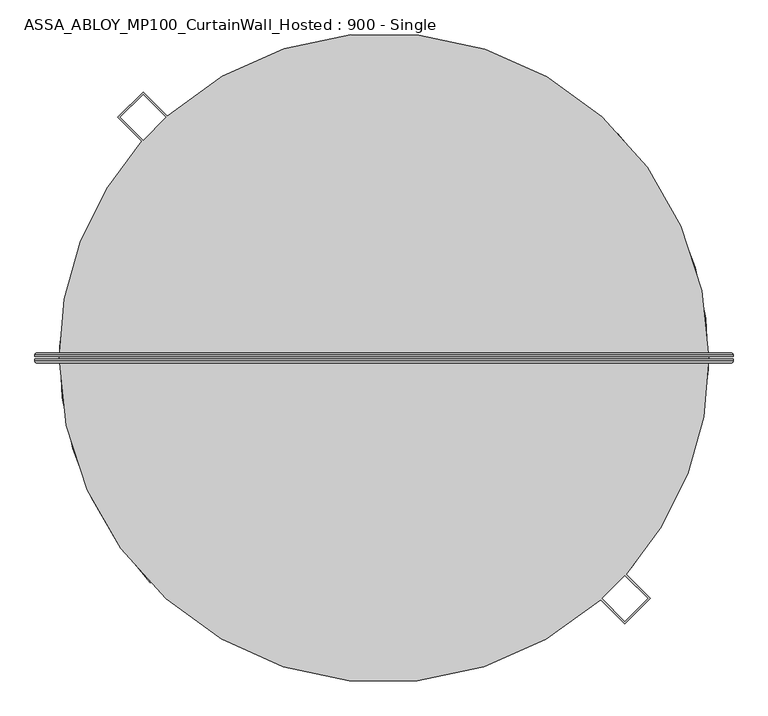
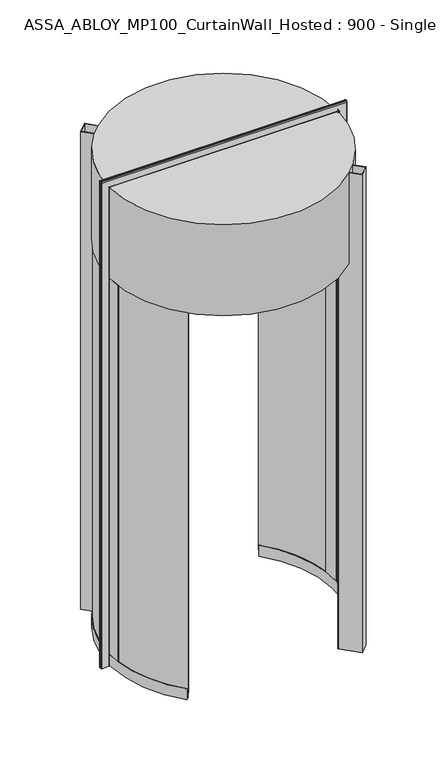
"""IFC4 building model written with IfcOpenShell, lengths in millimetres: plate geometry, ASSA_ABLOY_MP100_CurtainWall_Hosted : 900 - Single."""

from ifc_helpers import new_model, si_unit, point, frame, origin, origin_2d, place, context, project, spatial, polyline, circle_curve, ellipse_curve, trimmed, segment, composite_curve, outline, extrude, source, transform, mapped, element, save
from ifc_brep_helpers import plane_surface, cylinder_surface, revolved_surface, advanced_brep


def assa_abloy_mp100_curtainwall_hosted_900_single_7df3737f(model_context):
    return source(origin(), model_context, "Body", "SolidModel", [
        advanced_brep(
        [(777.5980762, 11.0, 0.0), (781.5980762, 7.0, 0.0), (781.5980762, 3.0, 0.0), (779.5980762, 3.0, 0.0), (779.5980762, 7.0, 0.0), (777.5980762, 9.0, 0.0), (735.5980762, 9.0, 0.0), (733.5980762, 7.0, 0.0), (733.5980762, 3.0, 0.0), (731.5980762, 3.0, 0.0), (731.5980762, 7.0, 0.0), (735.5980762, 11.0, 0.0), (777.5980762, 11.0, 3260.9980762), (781.5980762, 7.0, 3264.9980762), (781.5980762, 3.0, 3264.9980762), (731.5980762, 7.0, 3214.9980762), (735.5980762, 11.0, 3218.9980762), (-735.5980762, 11.0, 3218.9980762), (-735.5980762, 11.0, 0.0), (-777.5980762, 11.0, 0.0), (-777.5980762, 11.0, 3260.9980762), (-781.5980762, 7.0, 3264.9980762), (-781.5980762, 3.0, 3264.9980762), (-731.5980762, 7.0, 3214.9980762), (-731.5980762, 7.0, 0.0), (-731.5980762, 3.0, 0.0), (-733.5980762, 3.0, 0.0), (-733.5980762, 7.0, 0.0), (-735.5980762, 9.0, 0.0), (-777.5980762, 9.0, 0.0), (-779.5980762, 7.0, 0.0), (-779.5980762, 3.0, 0.0), (-781.5980762, 3.0, 0.0), (-781.5980762, 7.0, 0.0), (-779.5980762, 3.0, 3262.9980762), (779.5980762, 3.0, 3262.9980762), (779.5980762, 7.0, 3262.9980762), (777.5980762, 9.0, 3260.9980762), (-777.5980762, 9.0, 3260.9980762), (-735.5980762, 9.0, 3218.9980762), (735.5980762, 9.0, 3218.9980762), (733.5980762, 7.0, 3216.9980762), (733.5980762, 3.0, 3216.9980762), (-733.5980762, 3.0, 3216.9980762), (-731.5980762, 3.0, 3214.9980762), (731.5980762, 3.0, 3214.9980762), (-779.5980762, 7.0, 3262.9980762), (-733.5980762, 7.0, 3216.9980762)],
        [
            (0, 1, circle_curve(frame((777.5980762, 7.0, 0.0), z_axis=(0.0, 0.0, -1.0), x_axis=(-1.0, 0.0, 0.0)), 4.0)),
            (1, 2),
            (2, 3),
            (3, 4),
            (4, 5, circle_curve(frame((777.5980762, 7.0, 0.0), z_axis=(0.0, 0.0, 1.0), x_axis=(-1.0, 0.0, 0.0)), 2.0)),
            (5, 6),
            (6, 7, circle_curve(frame((735.5980762, 7.0, 0.0), z_axis=(0.0, 0.0, 1.0), x_axis=(-1.0, 0.0, 0.0)), 2.0)),
            (7, 8),
            (8, 9),
            (9, 10),
            (10, 11, circle_curve(frame((735.5980762, 7.0, 0.0), z_axis=(0.0, 0.0, -1.0), x_axis=(-1.0, 0.0, 0.0)), 4.0)),
            (11, 0),
            (0, 12),
            (12, 13, ellipse_curve(frame((777.5980762, 7.0, 3260.9980762), z_axis=(0.7071067811865475, 0.0, -0.7071067811865475), x_axis=(-0.7071067811865474, 0.0, -0.7071067811865476)), 5.6568542, 4.0)),
            (13, 1),
            (13, 14),
            (14, 2),
            (10, 15),
            (15, 16, ellipse_curve(frame((735.5980762, 7.0, 3218.9980762), z_axis=(0.7071067811865475, 0.0, -0.7071067811865475), x_axis=(-0.7071067811865474, 0.0, -0.7071067811865476)), 5.6568542, 4.0)),
            (16, 11),
            (16, 17),
            (17, 18),
            (18, 19),
            (19, 20),
            (20, 12),
            (20, 21, ellipse_curve(frame((-777.5980762, 7.0, 3260.9980762), z_axis=(0.7071067811865475, 0.0, 0.7071067811865475), x_axis=(0.7071067811865476, 0.0, -0.7071067811865474)), 5.6568542, 4.0)),
            (21, 13),
            (21, 22),
            (22, 14),
            (15, 23),
            (23, 17, ellipse_curve(frame((-735.5980762, 7.0, 3218.9980762), z_axis=(0.7071067811865475, 0.0, 0.7071067811865475), x_axis=(0.7071067811865476, 0.0, -0.7071067811865474)), 5.6568542, 4.0)),
            (18, 24, circle_curve(frame((-735.5980762, 7.0, 0.0), z_axis=(0.0, 0.0, -1.0), x_axis=(1.0, 0.0, 0.0)), 4.0)),
            (24, 25),
            (25, 26),
            (26, 27),
            (27, 28, circle_curve(frame((-735.5980762, 7.0, 0.0), z_axis=(0.0, 0.0, 1.0), x_axis=(1.0, 0.0, 0.0)), 2.0)),
            (28, 29),
            (29, 30, circle_curve(frame((-777.5980762, 7.0, 0.0), z_axis=(0.0, 0.0, 1.0), x_axis=(1.0, 0.0, 0.0)), 2.0)),
            (30, 31),
            (31, 32),
            (32, 33),
            (33, 19, circle_curve(frame((-777.5980762, 7.0, 0.0), z_axis=(0.0, 0.0, -1.0), x_axis=(1.0, 0.0, 0.0)), 4.0)),
            (33, 21),
            (32, 22),
            (23, 24),
            (31, 34),
            (34, 35),
            (35, 3),
            (35, 36),
            (36, 4),
            (36, 37, ellipse_curve(frame((777.5980762, 7.0, 3260.9980762), z_axis=(-0.7071067811865475, 0.0, 0.7071067811865475), x_axis=(0.7071067811865474, 0.0, 0.7071067811865476)), 2.8284271, 2.0)),
            (37, 5),
            (37, 38),
            (38, 29),
            (28, 39),
            (39, 40),
            (40, 6),
            (40, 41, ellipse_curve(frame((735.5980762, 7.0, 3218.9980762), z_axis=(-0.7071067811865475, 0.0, 0.7071067811865475), x_axis=(0.7071067811865474, 0.0, 0.7071067811865476)), 2.8284271, 2.0)),
            (41, 7),
            (41, 42),
            (42, 8),
            (42, 43),
            (43, 26),
            (25, 44),
            (44, 45),
            (45, 9),
            (45, 15),
            (34, 46),
            (46, 36),
            (46, 38, ellipse_curve(frame((-777.5980762, 7.0, 3260.9980762), z_axis=(-0.7071067811865475, 0.0, -0.7071067811865475), x_axis=(-0.7071067811865476, 0.0, 0.7071067811865474)), 2.8284271, 2.0)),
            (39, 47, ellipse_curve(frame((-735.5980762, 7.0, 3218.9980762), z_axis=(-0.7071067811865475, 0.0, -0.7071067811865475), x_axis=(-0.7071067811865476, 0.0, 0.7071067811865474)), 2.8284271, 2.0)),
            (47, 41),
            (47, 43),
            (44, 23),
            (30, 46),
            (27, 47),
        ],
        [
            plane_surface(frame((731.6, 0.0, 0.0), z_axis=(0.0, 0.0, -1.0), x_axis=(0.0, -1.0, 0.0))),
            cylinder_surface(frame((777.5980762, 7.0, 0.0), z_axis=(0.0, 0.0, -1.0), x_axis=(-1.0, 0.0, 0.0)), 4.0),
            plane_surface(frame((781.5980762, 7.0, 0.0), z_axis=(1.0, 0.0, 0.0), x_axis=(0.0, 0.0, 1.0))),
            cylinder_surface(frame((735.5980762, 7.0, 0.0), z_axis=(0.0, 0.0, -1.0), x_axis=(-1.0, 0.0, 0.0)), 4.0),
            plane_surface(frame((735.5980762, 11.0, 0.0), z_axis=(0.0, 1.0, 0.0), x_axis=(0.0, 0.0, 1.0))),
            cylinder_surface(frame((731.6, 7.0, 3260.9980762), z_axis=(1.0, 0.0, 0.0), x_axis=(0.0, 0.0, -1.0)), 4.0),
            plane_surface(frame((781.5980762, 7.0, 3264.9980762), z_axis=(0.0, 0.0, 1.0), x_axis=(-1.0, 0.0, 0.0))),
            cylinder_surface(frame((731.6, 7.0, 3218.9980762), z_axis=(1.0, 0.0, 0.0), x_axis=(0.0, 0.0, -1.0)), 4.0),
            plane_surface(frame((-731.6, 0.0, 0.0), z_axis=(0.0, 0.0, -1.0), x_axis=(0.0, -1.0, 0.0))),
            cylinder_surface(frame((-777.5980762, 7.0, 3215.0), z_axis=(0.0, 0.0, 1.0), x_axis=(1.0, 0.0, 0.0)), 4.0),
            plane_surface(frame((-781.5980762, 7.0, 3264.9980762), z_axis=(-1.0, 0.0, 0.0), x_axis=(0.0, 0.0, -1.0))),
            cylinder_surface(frame((-735.5980762, 7.0, 3215.0), z_axis=(0.0, 0.0, 1.0), x_axis=(1.0, 0.0, 0.0)), 4.0),
            plane_surface(frame((781.5980762, 3.0, 0.0), z_axis=(0.0, -1.0, 0.0), x_axis=(0.0, 0.0, 1.0))),
            plane_surface(frame((779.5980762, 3.0, 0.0), z_axis=(-1.0, 0.0, 0.0), x_axis=(0.0, 0.0, 1.0))),
            revolved_surface(polyline([(775.5980762, 7.0, 3262.9980762), (775.5980762, 7.0, 0.0)]), (777.5980762, 7.0, 0.0), (0.0, 0.0, 1.0)),
            plane_surface(frame((777.5980762, 9.0, 0.0), z_axis=(0.0, -1.0, 0.0), x_axis=(0.0, 0.0, 1.0))),
            revolved_surface(polyline([(733.5980762, 7.0, 3220.998076182502), (733.5980762, 7.0, 0.0)]), (735.5980762, 7.0, 0.0), (0.0, 0.0, 1.0)),
            plane_surface(frame((733.5980762, 7.0, 0.0), z_axis=(1.0, 0.0, 0.0), x_axis=(0.0, 0.0, 1.0))),
            plane_surface(frame((733.5980762, 3.0, 0.0), z_axis=(0.0, -1.0, 0.0), x_axis=(0.0, 0.0, 1.0))),
            plane_surface(frame((731.5980762, 3.0, 0.0), z_axis=(-1.0, 0.0, 0.0), x_axis=(0.0, 0.0, 1.0))),
            plane_surface(frame((779.5980762, 3.0, 3262.9980762), z_axis=(0.0, 0.0, -1.0), x_axis=(-1.0, 0.0, 0.0))),
            revolved_surface(polyline([(-779.5980762, 7.0, 3258.9980762), (779.5980762, 7.0, 3258.9980762)]), (731.6, 7.0, 3260.9980762), (-1.0, 0.0, 0.0)),
            revolved_surface(polyline([(-737.5980761825018, 7.0, 3216.9980762), (737.5980761825018, 7.0, 3216.9980762)]), (731.6, 7.0, 3218.9980762), (-1.0, 0.0, 0.0)),
            plane_surface(frame((733.5980762, 7.0, 3216.9980762), z_axis=(0.0, 0.0, 1.0), x_axis=(-1.0, 0.0, 0.0))),
            plane_surface(frame((731.5980762, 3.0, 3214.9980762), z_axis=(0.0, 0.0, -1.0), x_axis=(-1.0, 0.0, 0.0))),
            plane_surface(frame((-779.5980762, 3.0, 3262.9980762), z_axis=(1.0, 0.0, 0.0), x_axis=(0.0, 0.0, -1.0))),
            revolved_surface(polyline([(-775.5980762, 7.0, 0.0), (-775.5980762, 7.0, 3262.9980762)]), (-777.5980762, 7.0, 3215.0), (0.0, 0.0, -1.0)),
            revolved_surface(polyline([(-733.5980762, 7.0, 0.0), (-733.5980762, 7.0, 3220.998076182502)]), (-735.5980762, 7.0, 3215.0), (0.0, 0.0, -1.0)),
            plane_surface(frame((-733.5980762, 7.0, 3216.9980762), z_axis=(-1.0, 0.0, 0.0), x_axis=(0.0, 0.0, -1.0))),
            plane_surface(frame((-731.5980762, 3.0, 3214.9980762), z_axis=(1.0, 0.0, 0.0), x_axis=(0.0, 0.0, -1.0))),
        ],
        [
            (0, [[1, 2, 3, 4, 5, 6, 7, 8, 9, 10, 11, 12]]),
            (1, [[-1, 13, 14, 15]]),
            (2, [[-2, -15, 16, 17]]),
            (3, [[-11, 18, 19, 20]]),
            (4, [[-12, -20, 21, 22, 23, 24, 25, -13]]),
            (5, [[-14, -25, 26, 27]]),
            (6, [[-16, -27, 28, 29]]),
            (7, [[-19, 30, 31, -21]]),
            (8, [[-23, 32, 33, 34, 35, 36, 37, 38, 39, 40, 41, 42]]),
            (9, [[-26, -24, -42, 43]]),
            (10, [[-28, -43, -41, 44]]),
            (11, [[-31, 45, -32, -22]]),
            (12, [[-3, -17, -29, -44, -40, 46, 47, 48]]),
            (13, [[-4, -48, 49, 50]]),
            (14, [[-5, -50, 51, 52]]),
            (15, [[-6, -52, 53, 54, -37, 55, 56, 57]]),
            (16, [[-7, -57, 58, 59]]),
            (17, [[-8, -59, 60, 61]]),
            (18, [[-9, -61, 62, 63, -34, 64, 65, 66]]),
            (19, [[-10, -66, 67, -18]]),
            (20, [[-49, -47, 68, 69]]),
            (21, [[-51, -69, 70, -53]]),
            (22, [[-58, -56, 71, 72]]),
            (23, [[-60, -72, 73, -62]]),
            (24, [[-67, -65, 74, -30]]),
            (25, [[-68, -46, -39, 75]]),
            (26, [[-70, -75, -38, -54]]),
            (27, [[-71, -55, -36, 76]]),
            (28, [[-73, -76, -35, -63]]),
            (29, [[-74, -64, -33, -45]]),
        ],
    ),
        advanced_brep(
        [(731.5980762, -3.0, 0.0), (733.5980762, -3.0, 0.0), (733.5980762, -7.0, 0.0), (735.5980762, -9.0, 0.0), (777.5980762, -9.0, 0.0), (779.5980762, -7.0, 0.0), (779.5980762, -3.0, 0.0), (781.5980762, -3.0, 0.0), (781.5980762, -7.0, 0.0), (777.5980762, -11.0, 0.0), (735.5980762, -11.0, 0.0), (731.5980762, -7.0, 0.0), (781.5980762, -7.0, 3264.9980762), (777.5980762, -11.0, 3260.9980762), (-777.5980762, -11.0, 3260.9980762), (-777.5980762, -11.0, 0.0), (-735.5980762, -11.0, 0.0), (-735.5980762, -11.0, 3218.9980762), (735.5980762, -11.0, 3218.9980762), (731.5980762, -7.0, 3214.9980762), (731.5980762, -3.0, 3214.9980762), (-781.5980762, -7.0, 3264.9980762), (-731.5980762, -7.0, 3214.9980762), (-731.5980762, -3.0, 3214.9980762), (-731.5980762, -3.0, 0.0), (-731.5980762, -7.0, 0.0), (-781.5980762, -7.0, 0.0), (-781.5980762, -3.0, 0.0), (-779.5980762, -3.0, 0.0), (-779.5980762, -7.0, 0.0), (-777.5980762, -9.0, 0.0), (-735.5980762, -9.0, 0.0), (-733.5980762, -7.0, 0.0), (-733.5980762, -3.0, 0.0), (-733.5980762, -3.0, 3216.9980762), (733.5980762, -3.0, 3216.9980762), (733.5980762, -7.0, 3216.9980762), (735.5980762, -9.0, 3218.9980762), (-735.5980762, -9.0, 3218.9980762), (-777.5980762, -9.0, 3260.9980762), (777.5980762, -9.0, 3260.9980762), (779.5980762, -7.0, 3262.9980762), (779.5980762, -3.0, 3262.9980762), (-779.5980762, -3.0, 3262.9980762), (-781.5980762, -3.0, 3264.9980762), (781.5980762, -3.0, 3264.9980762), (-733.5980762, -7.0, 3216.9980762), (-779.5980762, -7.0, 3262.9980762)],
        [
            (0, 1),
            (1, 2),
            (2, 3, circle_curve(frame((735.5980762, -7.0, 0.0), z_axis=(0.0, 0.0, 1.0), x_axis=(-1.0, 0.0, 0.0)), 2.0)),
            (3, 4),
            (4, 5, circle_curve(frame((777.5980762, -7.0, 0.0), z_axis=(0.0, 0.0, 1.0), x_axis=(-1.0, 0.0, 0.0)), 2.0)),
            (5, 6),
            (6, 7),
            (7, 8),
            (8, 9, circle_curve(frame((777.5980762, -7.0, 0.0), z_axis=(0.0, 0.0, -1.0), x_axis=(-1.0, 0.0, 0.0)), 4.0)),
            (9, 10),
            (10, 11, circle_curve(frame((735.5980762, -7.0, 0.0), z_axis=(0.0, 0.0, -1.0), x_axis=(-1.0, 0.0, 0.0)), 4.0)),
            (11, 0),
            (8, 12),
            (12, 13, ellipse_curve(frame((777.5980762, -7.0, 3260.9980762), z_axis=(0.7071067811865475, 0.0, -0.7071067811865475), x_axis=(-0.7071067811865474, 0.0, -0.7071067811865476)), 5.6568542, 4.0)),
            (13, 9),
            (13, 14),
            (14, 15),
            (15, 16),
            (16, 17),
            (17, 18),
            (18, 10),
            (18, 19, ellipse_curve(frame((735.5980762, -7.0, 3218.9980762), z_axis=(0.7071067811865475, 0.0, -0.7071067811865475), x_axis=(-0.7071067811865474, 0.0, -0.7071067811865476)), 5.6568542, 4.0)),
            (19, 11),
            (19, 20),
            (20, 0),
            (12, 21),
            (21, 14, ellipse_curve(frame((-777.5980762, -7.0, 3260.9980762), z_axis=(0.7071067811865475, 0.0, 0.7071067811865475), x_axis=(0.7071067811865476, 0.0, -0.7071067811865474)), 5.6568542, 4.0)),
            (17, 22, ellipse_curve(frame((-735.5980762, -7.0, 3218.9980762), z_axis=(0.7071067811865475, 0.0, 0.7071067811865475), x_axis=(0.7071067811865476, 0.0, -0.7071067811865474)), 5.6568542, 4.0)),
            (22, 19),
            (22, 23),
            (23, 20),
            (24, 25),
            (25, 16, circle_curve(frame((-735.5980762, -7.0, 0.0), z_axis=(0.0, 0.0, -1.0), x_axis=(1.0, 0.0, 0.0)), 4.0)),
            (15, 26, circle_curve(frame((-777.5980762, -7.0, 0.0), z_axis=(0.0, 0.0, -1.0), x_axis=(1.0, 0.0, 0.0)), 4.0)),
            (26, 27),
            (27, 28),
            (28, 29),
            (29, 30, circle_curve(frame((-777.5980762, -7.0, 0.0), z_axis=(0.0, 0.0, 1.0), x_axis=(1.0, 0.0, 0.0)), 2.0)),
            (30, 31),
            (31, 32, circle_curve(frame((-735.5980762, -7.0, 0.0), z_axis=(0.0, 0.0, 1.0), x_axis=(1.0, 0.0, 0.0)), 2.0)),
            (32, 33),
            (33, 24),
            (21, 26),
            (25, 22),
            (24, 23),
            (33, 34),
            (34, 35),
            (35, 1),
            (35, 36),
            (36, 2),
            (36, 37, ellipse_curve(frame((735.5980762, -7.0, 3218.9980762), z_axis=(-0.7071067811865475, 0.0, 0.7071067811865475), x_axis=(0.7071067811865474, 0.0, 0.7071067811865476)), 2.8284271, 2.0)),
            (37, 3),
            (37, 38),
            (38, 31),
            (30, 39),
            (39, 40),
            (40, 4),
            (40, 41, ellipse_curve(frame((777.5980762, -7.0, 3260.9980762), z_axis=(-0.7071067811865475, 0.0, 0.7071067811865475), x_axis=(0.7071067811865474, 0.0, 0.7071067811865476)), 2.8284271, 2.0)),
            (41, 5),
            (41, 42),
            (42, 6),
            (42, 43),
            (43, 28),
            (27, 44),
            (44, 45),
            (45, 7),
            (45, 12),
            (34, 46),
            (46, 36),
            (46, 38, ellipse_curve(frame((-735.5980762, -7.0, 3218.9980762), z_axis=(-0.7071067811865475, 0.0, -0.7071067811865475), x_axis=(-0.7071067811865476, 0.0, 0.7071067811865474)), 2.8284271, 2.0)),
            (39, 47, ellipse_curve(frame((-777.5980762, -7.0, 3260.9980762), z_axis=(-0.7071067811865475, 0.0, -0.7071067811865475), x_axis=(-0.7071067811865476, 0.0, 0.7071067811865474)), 2.8284271, 2.0)),
            (47, 41),
            (47, 43),
            (44, 21),
            (32, 46),
            (29, 47),
        ],
        [
            plane_surface(frame((731.6, 0.0, 0.0), z_axis=(0.0, 0.0, -1.0), x_axis=(0.0, -1.0, 0.0))),
            cylinder_surface(frame((777.5980762, -7.0, 0.0), z_axis=(0.0, 0.0, -1.0), x_axis=(-1.0, 0.0, 0.0)), 4.0),
            plane_surface(frame((777.5980762, -11.0, 0.0), z_axis=(0.0, -1.0, 0.0), x_axis=(0.0, 0.0, 1.0))),
            cylinder_surface(frame((735.5980762, -7.0, 0.0), z_axis=(0.0, 0.0, -1.0), x_axis=(-1.0, 0.0, 0.0)), 4.0),
            plane_surface(frame((731.5980762, -7.0, 0.0), z_axis=(-1.0, 0.0, 0.0), x_axis=(0.0, 0.0, 1.0))),
            cylinder_surface(frame((731.6, -7.0, 3260.9980762), z_axis=(1.0, 0.0, 0.0), x_axis=(0.0, 0.0, -1.0)), 4.0),
            cylinder_surface(frame((731.6, -7.0, 3218.9980762), z_axis=(1.0, 0.0, 0.0), x_axis=(0.0, 0.0, -1.0)), 4.0),
            plane_surface(frame((731.5980762, -7.0, 3214.9980762), z_axis=(0.0, 0.0, -1.0), x_axis=(-1.0, 0.0, 0.0))),
            plane_surface(frame((-731.6, 0.0, 0.0), z_axis=(0.0, 0.0, -1.0), x_axis=(0.0, -1.0, 0.0))),
            cylinder_surface(frame((-777.5980762, -7.0, 3215.0), z_axis=(0.0, 0.0, 1.0), x_axis=(1.0, 0.0, 0.0)), 4.0),
            cylinder_surface(frame((-735.5980762, -7.0, 3215.0), z_axis=(0.0, 0.0, 1.0), x_axis=(1.0, 0.0, 0.0)), 4.0),
            plane_surface(frame((-731.5980762, -7.0, 3214.9980762), z_axis=(1.0, 0.0, 0.0), x_axis=(0.0, 0.0, -1.0))),
            plane_surface(frame((731.5980762, -3.0, 0.0), z_axis=(0.0, 1.0, 0.0), x_axis=(0.0, 0.0, 1.0))),
            plane_surface(frame((733.5980762, -3.0, 0.0), z_axis=(1.0, 0.0, 0.0), x_axis=(0.0, 0.0, 1.0))),
            revolved_surface(polyline([(733.5980762, -7.0, 3220.998076182502), (733.5980762, -7.0, 0.0)]), (735.5980762, -7.0, 0.0), (0.0, 0.0, 1.0)),
            plane_surface(frame((735.5980762, -9.0, 0.0), z_axis=(0.0, 1.0, 0.0), x_axis=(0.0, 0.0, 1.0))),
            revolved_surface(polyline([(775.5980762, -7.0, 3262.9980762), (775.5980762, -7.0, 0.0)]), (777.5980762, -7.0, 0.0), (0.0, 0.0, 1.0)),
            plane_surface(frame((779.5980762, -7.0, 0.0), z_axis=(-1.0, 0.0, 0.0), x_axis=(0.0, 0.0, 1.0))),
            plane_surface(frame((779.5980762, -3.0, 0.0), z_axis=(0.0, 1.0, 0.0), x_axis=(0.0, 0.0, 1.0))),
            plane_surface(frame((781.5980762, -3.0, 0.0), z_axis=(1.0, 0.0, 0.0), x_axis=(0.0, 0.0, 1.0))),
            plane_surface(frame((733.5980762, -3.0, 3216.9980762), z_axis=(0.0, 0.0, 1.0), x_axis=(-1.0, 0.0, 0.0))),
            revolved_surface(polyline([(-737.5980761825018, -7.0, 3216.9980762), (737.5980761825018, -7.0, 3216.9980762)]), (731.6, -7.0, 3218.9980762), (-1.0, 0.0, 0.0)),
            revolved_surface(polyline([(-779.5980762, -7.0, 3258.9980762), (779.5980762, -7.0, 3258.9980762)]), (731.6, -7.0, 3260.9980762), (-1.0, 0.0, 0.0)),
            plane_surface(frame((779.5980762, -7.0, 3262.9980762), z_axis=(0.0, 0.0, -1.0), x_axis=(-1.0, 0.0, 0.0))),
            plane_surface(frame((781.5980762, -3.0, 3264.9980762), z_axis=(0.0, 0.0, 1.0), x_axis=(-1.0, 0.0, 0.0))),
            plane_surface(frame((-733.5980762, -3.0, 3216.9980762), z_axis=(-1.0, 0.0, 0.0), x_axis=(0.0, 0.0, -1.0))),
            revolved_surface(polyline([(-733.5980762, -7.0, 0.0), (-733.5980762, -7.0, 3220.998076182502)]), (-735.5980762, -7.0, 3215.0), (0.0, 0.0, -1.0)),
            revolved_surface(polyline([(-775.5980762, -7.0, 0.0), (-775.5980762, -7.0, 3262.9980762)]), (-777.5980762, -7.0, 3215.0), (0.0, 0.0, -1.0)),
            plane_surface(frame((-779.5980762, -7.0, 3262.9980762), z_axis=(1.0, 0.0, 0.0), x_axis=(0.0, 0.0, -1.0))),
            plane_surface(frame((-781.5980762, -3.0, 3264.9980762), z_axis=(-1.0, 0.0, 0.0), x_axis=(0.0, 0.0, -1.0))),
        ],
        [
            (0, [[1, 2, 3, 4, 5, 6, 7, 8, 9, 10, 11, 12]]),
            (1, [[-9, 13, 14, 15]]),
            (2, [[-10, -15, 16, 17, 18, 19, 20, 21]]),
            (3, [[-11, -21, 22, 23]]),
            (4, [[-12, -23, 24, 25]]),
            (5, [[-14, 26, 27, -16]]),
            (6, [[-22, -20, 28, 29]]),
            (7, [[-24, -29, 30, 31]]),
            (8, [[32, 33, -18, 34, 35, 36, 37, 38, 39, 40, 41, 42]]),
            (9, [[-27, 43, -34, -17]]),
            (10, [[-28, -19, -33, 44]]),
            (11, [[-30, -44, -32, 45]]),
            (12, [[-1, -25, -31, -45, -42, 46, 47, 48]]),
            (13, [[-2, -48, 49, 50]]),
            (14, [[-3, -50, 51, 52]]),
            (15, [[-4, -52, 53, 54, -39, 55, 56, 57]]),
            (16, [[-5, -57, 58, 59]]),
            (17, [[-6, -59, 60, 61]]),
            (18, [[-7, -61, 62, 63, -36, 64, 65, 66]]),
            (19, [[-8, -66, 67, -13]]),
            (20, [[-49, -47, 68, 69]]),
            (21, [[-51, -69, 70, -53]]),
            (22, [[-58, -56, 71, 72]]),
            (23, [[-60, -72, 73, -62]]),
            (24, [[-67, -65, 74, -26]]),
            (25, [[-68, -46, -41, 75]]),
            (26, [[-70, -75, -40, -54]]),
            (27, [[-71, -55, -38, 76]]),
            (28, [[-73, -76, -37, -63]]),
            (29, [[-74, -64, -35, -43]]),
        ],
    ),
        advanced_brep(
        [(-508.8775352, -489.438716, 73.0), (-511.0397512, -491.5183366, 73.0), (-511.0397512, -491.5183366, 39.0), (-521.1300925, -501.2232329, 39.0), (-521.1300925, -501.2232329, 73.0), (-523.2923085, -503.3028535, 73.0), (-523.2923085, -503.3028535, 0.0), (-521.1300925, -501.2232329, 0.0), (-521.1300925, -501.2232329, 24.0), (-511.0397512, -491.5183366, 24.0), (-511.0397512, -491.5183366, 0.0), (-508.8775352, -489.438716, 0.0), (-538.0965266, 457.1200395, 73.0), (-538.0965266, 457.1200395, 0.0), (-540.3828938, 459.0623384, 0.0), (-540.3828938, 459.0623384, 24.0), (-551.0526075, 468.1263998, 24.0), (-551.0526075, 468.1263998, 0.0), (-553.3389748, 470.0686987, 0.0), (-553.3389748, 470.0686987, 73.0), (-551.0526075, 468.1263998, 73.0), (-551.0526075, 468.1263998, 39.0), (-540.3828938, 459.0623384, 39.0), (-540.3828938, 459.0623384, 73.0), (-700.7945833, -85.9857809, 73.0), (-703.7722531, -86.3511337, 73.0), (-708.6507334, 23.7916078, 73.0), (-705.6524227, 23.6909452, 73.0), (-722.642851, 24.2613344, 73.0), (-717.6680493, -88.0560814, 73.0), (-720.6457191, -88.4214341, 73.0), (-725.6411617, 24.3619969, 73.0), (-725.6411617, 24.3619969, 2600.0), (-720.6457191, -88.4214341, 2600.0), (-717.6680493, -88.0560814, 2600.0), (-722.642851, 24.2613344, 2600.0), (-705.6524227, 23.6909452, 2600.0), (-708.6507334, 23.7916078, 2600.0), (-703.7722531, -86.3511337, 2600.0), (-700.7945833, -85.9857809, 2600.0)],
        [
            (0, 1),
            (1, 2),
            (2, 3),
            (3, 4),
            (4, 5),
            (5, 6),
            (6, 7),
            (7, 8),
            (8, 9),
            (9, 10),
            (10, 11),
            (11, 0),
            (12, 13),
            (13, 14),
            (14, 15),
            (15, 16),
            (16, 17),
            (17, 18),
            (18, 19),
            (19, 20),
            (20, 21),
            (21, 22),
            (22, 23),
            (23, 12),
            (0, 24, circle_curve(frame((0.0, 0.0, 73.0), z_axis=(0.0, 0.0, -1.0), x_axis=(-0.720738666047111, -0.6932068776812814, 0.0)), 706.05)),
            (24, 25),
            (25, 1, circle_curve(frame((0.0, 0.0, 73.0), z_axis=(0.0, 0.0, 1.0), x_axis=(-0.720738666047111, -0.6932068776812814, 0.0)), 709.05)),
            (23, 26, circle_curve(frame((0.0, 0.0, 73.0), z_axis=(0.0, 0.0, 1.0), x_axis=(-0.720738666047111, -0.6932068776812814, 0.0)), 709.05)),
            (26, 27),
            (27, 12, circle_curve(frame((0.0, 0.0, 73.0), z_axis=(0.0, 0.0, -1.0), x_axis=(-0.720738666047111, -0.6932068776812814, 0.0)), 706.05)),
            (25, 26, circle_curve(frame((0.0, 0.0, 73.0), z_axis=(0.0, 0.0, -1.0), x_axis=(-0.720738666047111, -0.6932068776812814, 0.0)), 709.05)),
            (22, 2, circle_curve(frame((0.0, 0.0, 39.0), z_axis=(0.0, 0.0, 1.0), x_axis=(-0.720738666047111, -0.6932068776812814, 0.0)), 709.05)),
            (21, 3, circle_curve(frame((0.0, 0.0, 39.0), z_axis=(0.0, 0.0, 1.0), x_axis=(-0.720738666047111, -0.6932068776812814, 0.0)), 723.05)),
            (20, 28, circle_curve(frame((0.0, 0.0, 73.0), z_axis=(0.0, 0.0, 1.0), x_axis=(-0.720738666047111, -0.6932068776812814, 0.0)), 723.05)),
            (28, 29, circle_curve(frame((0.0, 0.0, 73.0), z_axis=(0.0, 0.0, 1.0), x_axis=(-0.720738666047111, -0.6932068776812814, 0.0)), 723.05)),
            (29, 4, circle_curve(frame((0.0, 0.0, 73.0), z_axis=(0.0, 0.0, 1.0), x_axis=(-0.720738666047111, -0.6932068776812814, 0.0)), 723.05)),
            (29, 30),
            (30, 5, circle_curve(frame((0.0, 0.0, 73.0), z_axis=(0.0, 0.0, 1.0), x_axis=(-0.720738666047111, -0.6932068776812814, 0.0)), 726.05)),
            (19, 31, circle_curve(frame((0.0, 0.0, 73.0), z_axis=(0.0, 0.0, 1.0), x_axis=(-0.720738666047111, -0.6932068776812814, 0.0)), 726.05)),
            (31, 28),
            (30, 31, circle_curve(frame((0.0, 0.0, 73.0), z_axis=(0.0, 0.0, -1.0), x_axis=(-0.720738666047111, -0.6932068776812814, 0.0)), 726.05)),
            (18, 6, circle_curve(frame((0.0, 0.0, 0.0), z_axis=(0.0, 0.0, 1.0), x_axis=(-0.720738666047111, -0.6932068776812814, 0.0)), 726.05)),
            (17, 7, circle_curve(frame((0.0, 0.0, 0.0), z_axis=(0.0, 0.0, 1.0), x_axis=(-0.720738666047111, -0.6932068776812814, 0.0)), 723.05)),
            (16, 8, circle_curve(frame((0.0, 0.0, 24.0), z_axis=(0.0, 0.0, 1.0), x_axis=(-0.720738666047111, -0.6932068776812814, 0.0)), 723.05)),
            (15, 9, circle_curve(frame((0.0, 0.0, 24.0), z_axis=(0.0, 0.0, 1.0), x_axis=(-0.720738666047111, -0.6932068776812814, 0.0)), 709.05)),
            (14, 10, circle_curve(frame((0.0, 0.0, 0.0), z_axis=(0.0, 0.0, 1.0), x_axis=(-0.720738666047111, -0.6932068776812814, 0.0)), 709.05)),
            (13, 11, circle_curve(frame((0.0, 0.0, 0.0), z_axis=(0.0, 0.0, 1.0), x_axis=(-0.720738666047111, -0.6932068776812814, 0.0)), 706.05)),
            (27, 24, circle_curve(frame((0.0, 0.0, 73.0), z_axis=(0.0, 0.0, 1.0), x_axis=(-0.720738666047111, -0.6932068776812814, 0.0)), 706.05)),
            (32, 33, circle_curve(frame((0.0, 0.0, 2600.0), z_axis=(0.0, 0.0, 1.0), x_axis=(0.7071067811865459, -0.7071067811865491, 0.0)), 726.05)),
            (33, 34),
            (34, 35, circle_curve(frame((0.0, 0.0, 2600.0), z_axis=(0.0, 0.0, -1.0), x_axis=(0.7071067811865459, -0.7071067811865491, 0.0)), 723.05)),
            (35, 32),
            (32, 31),
            (30, 33),
            (29, 34),
            (28, 35),
            (36, 37),
            (37, 38, circle_curve(frame((0.0, 0.0, 2600.0), z_axis=(0.0, 0.0, 1.0), x_axis=(0.7071067811865459, -0.7071067811865492, 0.0)), 709.05)),
            (38, 39),
            (39, 36, circle_curve(frame((0.0, 0.0, 2600.0), z_axis=(0.0, 0.0, -1.0), x_axis=(0.7071067811865459, -0.7071067811865492, 0.0)), 706.05)),
            (36, 27),
            (26, 37),
            (25, 38),
            (24, 39),
        ],
        [
            plane_surface(frame((-516.0849218, -496.3707848, 0.0), z_axis=(0.6932068776812813, -0.7207386660471111, 0.0), x_axis=(0.0, 0.0, 1.0))),
            plane_surface(frame((-545.7177507, 463.5943691, 0.0), z_axis=(0.6474329573669898, 0.7621224086162496, 0.0), x_axis=(0.0, 0.0, 1.0))),
            plane_surface(frame((0.0, 0.0, 73.0), z_axis=(0.0, 0.0, 1.0), x_axis=(-0.720738666047111, -0.6932068776812814, 0.0))),
            cylinder_surface(frame((0.0, 0.0, 0.0), z_axis=(0.0, 0.0, -1.0), x_axis=(-0.720738666047111, -0.6932068776812814, 0.0)), 709.05),
            plane_surface(frame((0.0, 0.0, 39.0), z_axis=(0.0, 0.0, 1.0), x_axis=(-0.720738666047111, -0.6932068776812814, 0.0))),
            revolved_surface(polyline([(-521.1300924853635, -501.2232329074505, 39.0), (-521.1300924853635, -501.2232329074505, 73.0)]), (0.0, 0.0, 0.0), (0.0, 0.0, -1.0)),
            cylinder_surface(frame((0.0, 0.0, 0.0), z_axis=(0.0, 0.0, -1.0), x_axis=(-0.720738666047111, -0.6932068776812814, 0.0)), 726.05),
            plane_surface(frame((0.0, 0.0, 0.0), z_axis=(0.0, 0.0, -1.0), x_axis=(-0.720738666047111, -0.6932068776812814, 0.0))),
            revolved_surface(polyline([(-521.1300924853635, -501.2232329074505, 0.0), (-521.1300924853635, -501.2232329074505, 24.0)]), (0.0, 0.0, 0.0), (0.0, 0.0, -1.0)),
            plane_surface(frame((0.0, 0.0, 24.0), z_axis=(0.0, 0.0, -1.0), x_axis=(-0.720738666047111, -0.6932068776812814, 0.0))),
            revolved_surface(polyline([(-508.8775351625627, -489.4387159868687, 0.0), (-508.8775351625627, -489.4387159868687, 73.0)]), (0.0, 0.0, 0.0), (0.0, 0.0, -1.0)),
            plane_surface(frame((513.3948785, -513.3948785, 2600.0), z_axis=(0.0, 0.0, 1.0), x_axis=(0.7071067811865491, 0.7071067811865459, 0.0))),
            cylinder_surface(frame((0.0, 0.0, 73.0), z_axis=(0.0, 0.0, 1.0), x_axis=(0.7071067811865459, -0.7071067811865491, 0.0)), 726.05),
            plane_surface(frame((-720.6457191, -88.4214341, 2600.0), z_axis=(0.12178424013967475, -0.9925565973049608, 0.0), x_axis=(0.0, 0.0, -1.0))),
            revolved_surface(polyline([(511.27355813693197, -511.2735581369343, 73.0), (511.27355813693197, -511.2735581369343, 2600.0)]), (0.0, 0.0, 73.0), (0.0, 0.0, -1.0)),
            plane_surface(frame((-722.642851, 24.2613344, 2600.0), z_axis=(0.033554177264586336, 0.9994369000532735, 0.0), x_axis=(0.0, 0.0, -1.0))),
            plane_surface(frame((-705.6524227, 23.6909452, 2600.0), z_axis=(0.0, 0.0, 1.0), x_axis=(-0.9994368991763471, 0.033554203384497626, 0.0))),
            plane_surface(frame((-705.6524227, 23.6909452, 2600.0), z_axis=(0.033554203384497626, 0.9994368991763471, 0.0), x_axis=(0.0, 0.0, -1.0))),
            cylinder_surface(frame((0.0, 0.0, 73.0), z_axis=(0.0, 0.0, 1.0000000000000002), x_axis=(0.7071067811865459, -0.7071067811865492, 0.0)), 709.05),
            plane_surface(frame((-703.7722531, -86.3511337, 2600.0), z_axis=(0.12178426601375615, -0.9925565941302746, 0.0), x_axis=(0.0, 0.0, -1.0))),
            revolved_surface(polyline([(499.25274285676073, -499.25274285676306, 73.0), (499.25274285676073, -499.25274285676306, 2600.000000000001)]), (0.0, 0.0, 73.0), (0.0, 0.0, -1.0000000000000002)),
        ],
        [
            (0, [[1, 2, 3, 4, 5, 6, 7, 8, 9, 10, 11, 12]]),
            (1, [[13, 14, 15, 16, 17, 18, 19, 20, 21, 22, 23, 24]]),
            (2, [[-1, 25, 26, 27]]),
            (2, [[-24, 28, 29, 30]]),
            (3, [[-2, -27, 31, -28, -23, 32]]),
            (4, [[-3, -32, -22, 33]]),
            (5, [[-4, -33, -21, 34, 35, 36]]),
            (2, [[-5, -36, 37, 38]]),
            (2, [[-20, 39, 40, -34]]),
            (6, [[-6, -38, 41, -39, -19, 42]]),
            (7, [[-7, -42, -18, 43]]),
            (8, [[-8, -43, -17, 44]]),
            (9, [[-9, -44, -16, 45]]),
            (3, [[-10, -45, -15, 46]]),
            (7, [[-11, -46, -14, 47]]),
            (10, [[-12, -47, -13, -30, 48, -25]]),
            (11, [[49, 50, 51, 52]]),
            (12, [[-49, 53, -41, 54]]),
            (13, [[-50, -54, -37, 55]]),
            (14, [[-51, -55, -35, 56]]),
            (15, [[-52, -56, -40, -53]]),
            (16, [[57, 58, 59, 60]]),
            (17, [[-57, 61, -29, 62]]),
            (18, [[-58, -62, -31, 63]]),
            (19, [[-59, -63, -26, 64]]),
            (20, [[-60, -64, -48, -61]]),
        ],
    ),
        advanced_brep(
        [(720.6442865, 88.4212913, 2600.0), (717.6666167, 88.0559385, 2600.0), (722.6414113, -24.2613187, 2600.0), (725.639722, -24.3619813, 2600.0), (720.6442865, 88.4212913, 73.0), (717.6666167, 88.0559385, 73.0), (722.6414113, -24.2613187, 73.0), (725.639722, -24.3619813, 73.0), (551.054134, -468.1223798, 24.0), (551.054134, -468.1223798, 0.0), (553.3405121, -470.0646658, 0.0), (553.3405121, -470.0646658, 73.0), (551.054134, -468.1223798, 73.0), (551.054134, -468.1223798, 39.0), (540.3843694, -459.0583782, 39.0), (540.3843694, -459.0583782, 73.0), (538.0979913, -457.1160921, 73.0), (538.0979913, -457.1160921, 0.0), (540.3843694, -459.0583782, 0.0), (540.3843694, -459.0583782, 24.0), (521.131017, 501.2201953, 24.0), (511.0406377, 491.5153385, 24.0), (511.0406377, 491.5153385, 0.0), (508.8784135, 489.4357263, 0.0), (508.8784135, 489.4357263, 73.0), (511.0406377, 491.5153385, 73.0), (511.0406377, 491.5153385, 39.0), (521.131017, 501.2201953, 39.0), (521.131017, 501.2201953, 73.0), (523.2932411, 503.2998074, 73.0), (523.2932411, 503.2998074, 0.0), (521.131017, 501.2201953, 0.0), (703.7708244, 86.3509587, 73.0), (708.6492948, -23.7915598, 73.0), (705.6509841, -23.6908972, 73.0), (700.7931546, 85.9856059, 73.0), (700.7931546, 85.9856059, 2600.0), (705.6509841, -23.6908972, 2600.0), (708.6492948, -23.7915598, 2600.0), (703.7708244, 86.3509587, 2600.0)],
        [
            (0, 1),
            (1, 2, circle_curve(frame((0.0, 0.0, 2600.0), z_axis=(0.0, 0.0, -1.0), x_axis=(-0.7071067811865481, -0.7071067811865469, 0.0)), 723.0485606)),
            (2, 3),
            (3, 0, circle_curve(frame((0.0, 0.0, 2600.0), z_axis=(0.0, 0.0, 1.0), x_axis=(-0.7071067811865481, -0.7071067811865469, 0.0)), 726.0485606)),
            (0, 4),
            (4, 5),
            (5, 1),
            (5, 6, circle_curve(frame((0.0, 0.0, 73.0), z_axis=(0.0, 0.0, -1.0), x_axis=(-0.7071067811865481, -0.7071067811865469, 0.0)), 723.0485606)),
            (6, 2),
            (6, 7),
            (7, 3),
            (7, 4, circle_curve(frame((0.0, 0.0, 73.0), z_axis=(0.0, 0.0, 1.0), x_axis=(-0.7071067811865481, -0.7071067811865469, 0.0)), 726.0485606)),
            (8, 9),
            (9, 10),
            (10, 11),
            (11, 12),
            (12, 13),
            (13, 14),
            (14, 15),
            (15, 16),
            (16, 17),
            (17, 18),
            (18, 19),
            (19, 8),
            (20, 21),
            (21, 22),
            (22, 23),
            (23, 24),
            (24, 25),
            (25, 26),
            (26, 27),
            (27, 28),
            (28, 29),
            (29, 30),
            (30, 31),
            (31, 20),
            (8, 20, circle_curve(frame((0.0, 0.0, 24.0), z_axis=(0.0, 0.0, 1.0), x_axis=(0.7621260368712389, -0.6474286863608524, 0.0)), 723.0485606)),
            (31, 9, circle_curve(frame((0.0, 0.0, 0.0), z_axis=(0.0, 0.0, -1.0), x_axis=(0.7621260368712389, -0.6474286863608524, 0.0)), 723.0485606)),
            (30, 10, circle_curve(frame((0.0, 0.0, 0.0), z_axis=(0.0, 0.0, -1.0), x_axis=(0.7621260368712389, -0.6474286863608524, 0.0)), 726.0485606)),
            (29, 4, circle_curve(frame((0.0, 0.0, 73.0), z_axis=(0.0, 0.0, -1.0), x_axis=(0.7621260368712389, -0.6474286863608524, 0.0)), 726.0485606)),
            (7, 11, circle_curve(frame((0.0, 0.0, 73.0), z_axis=(0.0, 0.0, -1.0), x_axis=(0.7621260368712389, -0.6474286863608524, 0.0)), 726.0485606)),
            (6, 12, circle_curve(frame((0.0, 0.0, 73.0), z_axis=(0.0, 0.0, -1.0), x_axis=(0.7621260368712389, -0.6474286863608524, 0.0)), 723.0485606)),
            (28, 5, circle_curve(frame((0.0, 0.0, 73.0), z_axis=(0.0, 0.0, -1.0), x_axis=(0.7621260368712389, -0.6474286863608524, 0.0)), 723.0485606)),
            (27, 13, circle_curve(frame((0.0, 0.0, 39.0), z_axis=(0.0, 0.0, -1.0), x_axis=(0.7621260368712389, -0.6474286863608524, 0.0)), 723.0485606)),
            (26, 14, circle_curve(frame((0.0, 0.0, 39.0), z_axis=(0.0, 0.0, -1.0), x_axis=(0.7621260368712389, -0.6474286863608524, 0.0)), 709.0485606)),
            (25, 32, circle_curve(frame((0.0, 0.0, 73.0), z_axis=(0.0, 0.0, -1.0), x_axis=(0.7621260368712389, -0.6474286863608524, 0.0)), 709.0485606)),
            (32, 33, circle_curve(frame((0.0, 0.0, 73.0), z_axis=(0.0, 0.0, -1.0), x_axis=(0.7621260368712389, -0.6474286863608524, 0.0)), 709.0485606)),
            (33, 15, circle_curve(frame((0.0, 0.0, 73.0), z_axis=(0.0, 0.0, -1.0), x_axis=(0.7621260368712389, -0.6474286863608524, 0.0)), 709.0485606)),
            (33, 34),
            (34, 16, circle_curve(frame((0.0, 0.0, 73.0), z_axis=(0.0, 0.0, -1.0), x_axis=(0.7621260368712389, -0.6474286863608524, 0.0)), 706.0485606)),
            (24, 35, circle_curve(frame((0.0, 0.0, 73.0), z_axis=(0.0, 0.0, -1.0), x_axis=(0.7621260368712389, -0.6474286863608524, 0.0)), 706.0485606)),
            (35, 32),
            (34, 35, circle_curve(frame((0.0, 0.0, 73.0), z_axis=(0.0, 0.0, 1.0), x_axis=(0.7621260368712389, -0.6474286863608524, 0.0)), 706.0485606)),
            (23, 17, circle_curve(frame((0.0, 0.0, 0.0), z_axis=(0.0, 0.0, -1.0), x_axis=(0.7621260368712389, -0.6474286863608524, 0.0)), 706.0485606)),
            (22, 18, circle_curve(frame((0.0, 0.0, 0.0), z_axis=(0.0, 0.0, -1.0), x_axis=(0.7621260368712389, -0.6474286863608524, 0.0)), 709.0485606)),
            (21, 19, circle_curve(frame((0.0, 0.0, 24.0), z_axis=(0.0, 0.0, -1.0), x_axis=(0.7621260368712389, -0.6474286863608524, 0.0)), 709.0485606)),
            (36, 37, circle_curve(frame((0.0, 0.0, 2600.0), z_axis=(0.0, 0.0, -1.0), x_axis=(-0.707106781186548, -0.707106781186547, 0.0)), 706.0485606)),
            (37, 38),
            (38, 39, circle_curve(frame((0.0, 0.0, 2600.0), z_axis=(0.0, 0.0, 1.0), x_axis=(-0.707106781186548, -0.707106781186547, 0.0)), 709.0485606)),
            (39, 36),
            (36, 35),
            (34, 37),
            (33, 38),
            (32, 39),
        ],
        [
            plane_surface(frame((720.6442865, 88.4212913, 2600.0), z_axis=(0.0, 0.0, 1.0000000000000002), x_axis=(-0.9925565940952576, -0.12178426629914926, 0.0))),
            plane_surface(frame((720.6442865, 88.4212913, 2600.0), z_axis=(-0.12178426629914926, 0.9925565940952576, 0.0), x_axis=(0.0, 0.0, -1.0))),
            revolved_surface(polyline([(-511.27254032743275, -511.2725403274319, 73.0), (-511.27254032743275, -511.2725403274319, 2600.0)]), (0.0, 0.0, 73.0), (0.0, 0.0, -1.0)),
            plane_surface(frame((722.6414113, -24.2613187, 2600.0), z_axis=(-0.03355420367322332, -0.9994368991666537, 0.0), x_axis=(0.0, 0.0, -1.0))),
            cylinder_surface(frame((0.0, 0.0, 73.0), z_axis=(0.0, 0.0, 1.0), x_axis=(-0.7071067811865481, -0.7071067811865469, 0.0)), 726.0485606),
            plane_surface(frame((545.7192517, -463.590379, 0.0), z_axis=(-0.6474286863608525, -0.7621260368712389, 0.0), x_axis=(0.0, 0.0, 1.0))),
            plane_surface(frame((516.0858273, 496.3677669, 0.0), z_axis=(-0.6932040565128175, 0.7207413794379887, 0.0), x_axis=(0.0, 0.0, 1.0))),
            revolved_surface(polyline([(551.0541339555318, -468.12237976436313, 24.0), (551.0541339555318, -468.12237976436313, 0.0)]), (0.0, 0.0, 0.0), (0.0, 0.0, 1.0)),
            plane_surface(frame((0.0, 0.0, 0.0), z_axis=(0.0, 0.0, -1.0), x_axis=(0.7621260368712389, -0.6474286863608524, 0.0))),
            cylinder_surface(frame((0.0, 0.0, 0.0), z_axis=(0.0, 0.0, 1.0), x_axis=(0.7621260368712389, -0.6474286863608524, 0.0)), 726.0485606),
            plane_surface(frame((0.0, 0.0, 73.0), z_axis=(0.0, 0.0, 1.0), x_axis=(0.7621260368712389, -0.6474286863608524, 0.0))),
            revolved_surface(polyline([(551.0541339555318, -468.12237976436313, 73.0), (551.0541339555318, -468.12237976436313, 39.0)]), (0.0, 0.0, 0.0), (0.0, 0.0, 1.0)),
            plane_surface(frame((0.0, 0.0, 39.0), z_axis=(0.0, 0.0, 1.0), x_axis=(0.7621260368712389, -0.6474286863608524, 0.0))),
            cylinder_surface(frame((0.0, 0.0, 0.0), z_axis=(0.0, 0.0, 1.0), x_axis=(0.7621260368712389, -0.6474286863608524, 0.0)), 709.0485606),
            revolved_surface(polyline([(538.0979913287207, -457.11609209622867, 73.0), (538.0979913287207, -457.11609209622867, 0.0)]), (0.0, 0.0, 0.0), (0.0, 0.0, 1.0)),
            plane_surface(frame((0.0, 0.0, 24.0), z_axis=(0.0, 0.0, -1.0), x_axis=(0.7621260368712389, -0.6474286863608524, 0.0))),
            plane_surface(frame((-499.251725, -499.251725, 2600.0), z_axis=(0.0, 0.0, 1.0), x_axis=(-0.707106781186547, 0.707106781186548, 0.0))),
            revolved_surface(polyline([(-499.25172504726135, -499.25172504726066, 73.0), (-499.25172504726135, -499.25172504726066, 2600.0)]), (0.0, 0.0, 73.0), (0.0, 0.0, -1.0)),
            plane_surface(frame((705.6509841, -23.6908972, 2600.0), z_axis=(-0.03355420367003207, -0.9994368991667608, 0.0), x_axis=(0.0, 0.0, -1.0))),
            cylinder_surface(frame((0.0, 0.0, 73.0), z_axis=(0.0, 0.0, 1.0), x_axis=(-0.707106781186548, -0.707106781186547, 0.0)), 709.0485606),
            plane_surface(frame((703.7708244, 86.3509587, 2600.0), z_axis=(-0.12178426630095265, 0.9925565940950364, 0.0), x_axis=(0.0, 0.0, -1.0))),
        ],
        [
            (0, [[1, 2, 3, 4]]),
            (1, [[-1, 5, 6, 7]]),
            (2, [[-2, -7, 8, 9]]),
            (3, [[-3, -9, 10, 11]]),
            (4, [[-4, -11, 12, -5]]),
            (5, [[13, 14, 15, 16, 17, 18, 19, 20, 21, 22, 23, 24]]),
            (6, [[25, 26, 27, 28, 29, 30, 31, 32, 33, 34, 35, 36]]),
            (7, [[-13, 37, -36, 38]]),
            (8, [[-14, -38, -35, 39]]),
            (9, [[-15, -39, -34, 40, -12, 41]]),
            (10, [[-16, -41, -10, 42]]),
            (10, [[-33, 43, -6, -40]]),
            (11, [[-17, -42, -8, -43, -32, 44]]),
            (12, [[-18, -44, -31, 45]]),
            (13, [[-19, -45, -30, 46, 47, 48]]),
            (10, [[-20, -48, 49, 50]]),
            (10, [[-29, 51, 52, -46]]),
            (14, [[-21, -50, 53, -51, -28, 54]]),
            (8, [[-22, -54, -27, 55]]),
            (13, [[-23, -55, -26, 56]]),
            (15, [[-24, -56, -25, -37]]),
            (16, [[57, 58, 59, 60]]),
            (17, [[-57, 61, -53, 62]]),
            (18, [[-58, -62, -49, 63]]),
            (19, [[-59, -63, -47, 64]]),
            (20, [[-60, -64, -52, -61]]),
        ],
    ),
        advanced_brep(
        [(539.1689207, -595.7374631, 3210.0), (595.7374631, -539.1689207, 3210.0), (541.9262915, -485.357749, 3210.0), (727.5, 0.0, 3210.0), (-485.357749, 541.9262915, 3210.0), (-539.1689207, 595.7374631, 3210.0), (-595.7374631, 539.1689207, 3210.0), (-541.9262915, 485.357749, 3210.0), (-727.5, 0.0, 3210.0), (485.357749, -541.9262915, 3210.0), (590.0806089, -539.1689207, 3210.0), (539.1689207, -590.0806089, 3210.0), (488.3341178, -539.2458061, 3210.0), (539.2458061, -488.3341178, 3210.0), (-488.3341178, 539.2458061, 3210.0), (-539.2458061, 488.3341178, 3210.0), (-590.0806089, 539.1689207, 3210.0), (-539.1689207, 590.0806089, 3210.0), (485.357749, -541.9262915, 2600.0), (-727.5, 0.0, 2600.0), (-541.9262915, 485.357749, 2600.0), (-496.7425138, 440.1739713, 2600.0), (-440.1739713, 496.7425138, 2600.0), (-485.357749, 541.9262915, 2600.0), (727.5, 0.0, 2600.0), (541.9262915, -485.357749, 2600.0), (496.7425138, -440.1739713, 2600.0), (440.1739713, -496.7425138, 2600.0), (539.2458061, -488.3341178, 2600.0), (488.3341178, -539.2458061, 2600.0), (445.8308255, -496.7425138, 2600.0), (496.7425138, -445.8308255, 2600.0), (-539.2458061, 488.3341178, 2600.0), (-488.3341178, 539.2458061, 2600.0), (-445.8308255, 496.7425138, 2600.0), (-496.7425138, 445.8308255, 2600.0), (539.1689207, -595.7374631, 0.0), (440.1739713, -496.7425138, 0.0), (496.7425138, -440.1739713, 0.0), (595.7374631, -539.1689207, 0.0), (496.7425138, -445.8308255, 0.0), (445.8308255, -496.7425138, 0.0), (539.1689207, -590.0806089, 0.0), (590.0806089, -539.1689207, 0.0), (-440.1739713, 496.7425138, 0.0), (-496.7425138, 440.1739713, 0.0), (-595.7374631, 539.1689207, 0.0), (-539.1689207, 595.7374631, 0.0), (-590.0806089, 539.1689207, 0.0), (-496.7425138, 445.8308255, 0.0), (-445.8308255, 496.7425138, 0.0), (-539.1689207, 590.0806089, 0.0)],
        [
            (0, 1),
            (1, 2),
            (2, 3, circle_curve(frame((0.0, 0.0, 3210.0), z_axis=(0.0, 0.0, 1.0), x_axis=(1.0, 0.0, 0.0)), 727.5)),
            (3, 4, circle_curve(frame((0.0, 0.0, 3210.0), z_axis=(0.0, 0.0, 1.0), x_axis=(1.0, 0.0, 0.0)), 727.5)),
            (4, 5),
            (5, 6),
            (6, 7),
            (7, 8, circle_curve(frame((0.0, 0.0, 3210.0), z_axis=(0.0, 0.0, 1.0), x_axis=(1.0, 0.0, 0.0)), 727.5)),
            (8, 9, circle_curve(frame((0.0, 0.0, 3210.0), z_axis=(0.0, 0.0, 1.0), x_axis=(1.0, 0.0, 0.0)), 727.5)),
            (9, 0),
            (10, 11),
            (11, 12),
            (12, 13, circle_curve(frame((0.0, 0.0, 3210.0), z_axis=(0.0, 0.0, 1.0), x_axis=(1.0, 0.0, 0.0)), 727.5)),
            (13, 10),
            (14, 15, circle_curve(frame((0.0, 0.0, 3210.0), z_axis=(0.0, 0.0, 1.0), x_axis=(1.0, 0.0, 0.0)), 727.5)),
            (15, 16),
            (16, 17),
            (17, 14),
            (18, 19, circle_curve(frame((0.0, 0.0, 2600.0), z_axis=(0.0, 0.0, -1.0), x_axis=(1.0, 0.0, 0.0)), 727.5)),
            (19, 20, circle_curve(frame((0.0, 0.0, 2600.0), z_axis=(0.0, 0.0, -1.0), x_axis=(1.0, 0.0, 0.0)), 727.5)),
            (20, 21),
            (21, 22),
            (22, 23),
            (23, 24, circle_curve(frame((0.0, 0.0, 2600.0), z_axis=(0.0, 0.0, -1.0), x_axis=(1.0, 0.0, 0.0)), 727.5)),
            (24, 25, circle_curve(frame((0.0, 0.0, 2600.0), z_axis=(0.0, 0.0, -1.0), x_axis=(1.0, 0.0, 0.0)), 727.5)),
            (25, 26),
            (26, 27),
            (27, 18),
            (28, 29, circle_curve(frame((0.0, 0.0, 2600.0), z_axis=(0.0, 0.0, -1.0), x_axis=(1.0, 0.0, 0.0)), 727.5)),
            (29, 30),
            (30, 31),
            (31, 28),
            (32, 33, circle_curve(frame((0.0, 0.0, 2600.0), z_axis=(0.0, 0.0, -1.0), x_axis=(1.0, 0.0, 0.0)), 727.5)),
            (33, 34),
            (34, 35),
            (35, 32),
            (12, 29),
            (28, 13),
            (8, 19),
            (18, 9),
            (24, 3),
            (2, 25),
            (14, 33),
            (32, 15),
            (7, 20),
            (23, 4),
            (36, 37),
            (37, 38),
            (38, 39),
            (39, 36),
            (40, 41),
            (41, 42),
            (42, 43),
            (43, 40),
            (36, 0),
            (27, 37),
            (26, 38),
            (1, 39),
            (40, 31),
            (30, 41),
            (11, 42),
            (10, 43),
            (44, 45),
            (45, 46),
            (46, 47),
            (47, 44),
            (48, 49),
            (49, 50),
            (50, 51),
            (51, 48),
            (44, 22),
            (21, 45),
            (6, 46),
            (5, 47),
            (48, 16),
            (35, 49),
            (34, 50),
            (17, 51),
        ],
        [
            plane_surface(frame((727.5, 0.0, 3210.0), z_axis=(0.0, 0.0, 1.0), x_axis=(0.0, 1.0, 0.0))),
            plane_surface(frame((727.5, 0.0, 2600.0), z_axis=(0.0, 0.0, -1.0), x_axis=(0.0, -1.0, 0.0))),
            cylinder_surface(frame((0.0, 0.0, 2600.0), z_axis=(0.0, 0.0, 1.0), x_axis=(1.0, 0.0, 0.0)), 727.5),
            plane_surface(frame((514.4201833, -514.4201833, 0.0), z_axis=(0.0, 0.0, -1.0000000000000002), x_axis=(0.7071067811865459, -0.7071067811865492, 0.0))),
            plane_surface(frame((539.1689207, -595.7374631, 0.0), z_axis=(-0.7071067811865495, -0.7071067811865456, 0.0), x_axis=(0.0, 0.0, 1.0))),
            plane_surface(frame((440.1739713, -496.7425138, 0.0), z_axis=(-0.7071067811865459, 0.7071067811865492, 0.0), x_axis=(0.0, 0.0, 1.0))),
            plane_surface(frame((496.7425138, -440.1739713, 0.0), z_axis=(0.7071067811865492, 0.7071067811865458, 0.0), x_axis=(0.0, 0.0, 1.0))),
            plane_surface(frame((595.7374631, -539.1689207, 0.0), z_axis=(0.7071067811865455, -0.7071067811865497, 0.0), x_axis=(0.0, 0.0, 1.0))),
            plane_surface(frame((496.7425138, -445.8308255, 0.0), z_axis=(0.7071067811865457, -0.7071067811865495, 0.0), x_axis=(0.0, 0.0, 1.0))),
            plane_surface(frame((445.8308255, -496.7425138, 0.0), z_axis=(0.7071067811865493, 0.7071067811865458, 0.0), x_axis=(0.0, 0.0, 1.0))),
            plane_surface(frame((539.1689207, -590.0806089, 0.0), z_axis=(-0.7071067811865461, 0.707106781186549, 0.0), x_axis=(0.0, 0.0, 1.0))),
            plane_surface(frame((590.0806089, -539.1689207, 0.0), z_axis=(-0.7071067811865491, -0.707106781186546, 0.0), x_axis=(0.0, 0.0, 1.0))),
            plane_surface(frame((-514.4201833, 514.4201833, 0.0), z_axis=(0.0, 0.0, -1.0), x_axis=(-0.7071067811865459, 0.7071067811865491, 0.0))),
            plane_surface(frame((-440.1739713, 496.7425138, 0.0), z_axis=(0.7071067811865458, -0.7071067811865492, 0.0), x_axis=(0.0, 0.0, 1.0))),
            plane_surface(frame((-496.7425138, 440.1739713, 0.0), z_axis=(-0.7071067811865492, -0.7071067811865459, 0.0), x_axis=(0.0, 0.0, 1.0))),
            plane_surface(frame((-595.7374631, 539.1689207, 0.0), z_axis=(-0.7071067811865462, 0.7071067811865488, 0.0), x_axis=(0.0, 0.0, 1.0))),
            plane_surface(frame((-539.1689207, 595.7374631, 0.0), z_axis=(0.7071067811865495, 0.7071067811865457, 0.0), x_axis=(0.0, 0.0, 1.0))),
            plane_surface(frame((-590.0806089, 539.1689207, 0.0), z_axis=(0.707106781186549, 0.707106781186546, 0.0), x_axis=(0.0, 0.0, 1.0))),
            plane_surface(frame((-496.7425138, 445.8308255, 0.0), z_axis=(-0.7071067811865461, 0.7071067811865489, 0.0), x_axis=(0.0, 0.0, 1.0))),
            plane_surface(frame((-445.8308255, 496.7425138, 0.0), z_axis=(-0.707106781186549, -0.707106781186546, 0.0), x_axis=(0.0, 0.0, 1.0))),
            plane_surface(frame((-539.1689207, 590.0806089, 0.0), z_axis=(0.7071067811865461, -0.7071067811865489, 0.0), x_axis=(0.0, 0.0, 1.0))),
        ],
        [
            (0, [[1, 2, 3, 4, 5, 6, 7, 8, 9, 10], [11, 12, 13, 14], [15, 16, 17, 18]]),
            (1, [[19, 20, 21, 22, 23, 24, 25, 26, 27, 28]]),
            (1, [[29, 30, 31, 32]]),
            (1, [[33, 34, 35, 36]]),
            (2, [[-13, 37, -29, 38]]),
            (2, [[39, -19, 40, -9]]),
            (2, [[41, -3, 42, -25]]),
            (2, [[-15, 43, -33, 44]]),
            (2, [[-39, -8, 45, -20]]),
            (2, [[-41, -24, 46, -4]]),
            (3, [[47, 48, 49, 50], [51, 52, 53, 54]]),
            (4, [[-47, 55, -10, -40, -28, 56]]),
            (5, [[-48, -56, -27, 57]]),
            (6, [[-49, -57, -26, -42, -2, 58]]),
            (7, [[-50, -58, -1, -55]]),
            (8, [[-51, 59, -31, 60]]),
            (9, [[-52, -60, -30, -37, -12, 61]]),
            (10, [[-53, -61, -11, 62]]),
            (11, [[-54, -62, -14, -38, -32, -59]]),
            (12, [[63, 64, 65, 66], [67, 68, 69, 70]]),
            (13, [[-63, 71, -22, 72]]),
            (14, [[-64, -72, -21, -45, -7, 73]]),
            (15, [[-65, -73, -6, 74]]),
            (16, [[-66, -74, -5, -46, -23, -71]]),
            (17, [[-67, 75, -16, -44, -36, 76]]),
            (18, [[-68, -76, -35, 77]]),
            (19, [[-69, -77, -34, -43, -18, 78]]),
            (20, [[-70, -78, -17, -75]]),
        ],
    ),
        extrude(outline(composite_curve([segment(trimmed(circle_curve(origin_2d(), 711.05), [point((-539.1438074, 463.5903983))], [point((-509.0680834, -496.4290372))], True, "CARTESIAN"), True, "CONTINUOUS"), segment(polyline([(-509.0680834, -496.4290372), (-516.2274685, -503.4106705)]), True, "CONTINUOUS"), segment(trimmed(circle_curve(origin_2d(), 721.05), [point((-516.2274685, -503.4106705))], [point((-546.7261688, 470.1101986))], False, "CARTESIAN"), True, "CONTINUOUS"), segment(polyline([(-546.7261688, 470.1101986), (-539.1438074, 463.5903983)]), True, "CONTINUOUS")], self_intersect=False)), frame((0.0, 0.0, 39.0), z_axis=(0.0, 0.0, 1.0), x_axis=(1.0, 0.0, 0.0)), (0.0, 0.0, 1.0), 2561.0),
        extrude(outline(composite_curve([segment(trimmed(circle_curve(origin_2d(), 721.0485606), [point((516.2264507, 503.4096526))], [point((546.5275854, -470.3388407))], False, "CARTESIAN"), True, "CONTINUOUS"), segment(polyline([(546.5275854, -470.3388407), (538.947963, -463.8158565)]), True, "CONTINUOUS"), segment(trimmed(circle_curve(origin_2d(), 711.0485606), [point((538.947963, -463.8158565))], [point((509.0670654, 496.4280194))], True, "CARTESIAN"), True, "CONTINUOUS"), segment(polyline([(509.0670654, 496.4280194), (516.2264507, 503.4096526)]), True, "CONTINUOUS")], self_intersect=False)), frame((0.0, 0.0, 39.0), z_axis=(0.0, 0.0, 1.0), x_axis=(1.0, 0.0, 0.0)), (0.0, 0.0, 1.0), 2561.0),
    ])


if __name__ == "__main__":
    model = new_model("IFC4")
    model_context = context("Model", 3, world=origin())
    ifc_project = project(units=[si_unit("LENGTHUNIT", "METRE", prefix="MILLI")], contexts=[model_context])
    site = spatial("IfcSite", under=ifc_project)
    building = spatial("IfcBuilding", under=site)
    placement = place(None, origin())
    assa_abloy_mp100_curtainwall_hosted_900_single_shape = assa_abloy_mp100_curtainwall_hosted_900_single_7df3737f(model_context)
    element("IfcPlate", 1, ObjectType="ASSA_ABLOY_MP100_CurtainWall_Hosted : 900 - Single", at=placement, inside=building, context=model_context, shape_type="MappedRepresentation", body=[
        mapped(assa_abloy_mp100_curtainwall_hosted_900_single_shape, transform((0.0, 0.0, 0.0), x_axis=(1.0, 0.0, 0.0), y_axis=(0.0, 1.0, 0.0), z_axis=(0.0, 0.0, 1.0))),
    ])
    save(model, "model.ifc")
